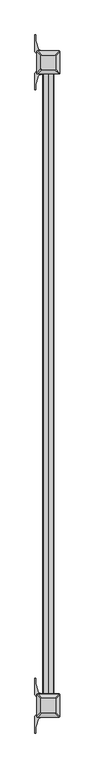
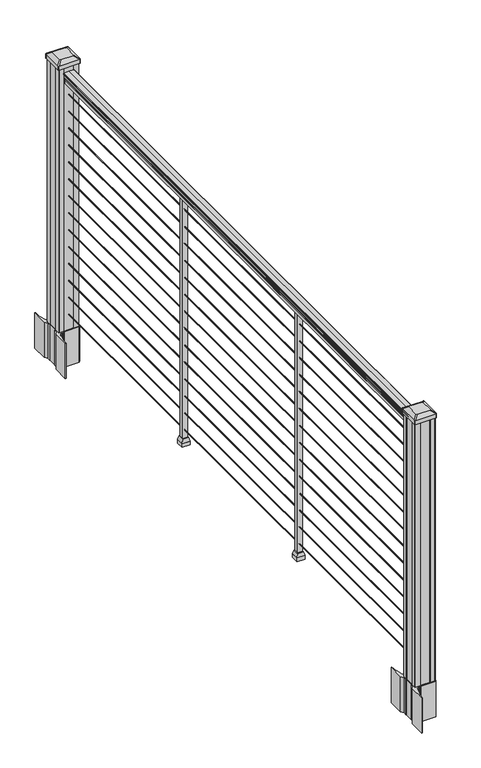
"""IFC4 building model written with IfcOpenShell, lengths in millimetres: railing geometry."""

from ifc_helpers import new_model, si_unit, point, frame, frame_2d, origin, origin_with_axes, place, context, project, spatial, polyline, circle_curve, trimmed, segment, composite_curve, outline, extrude, faceted_brep, source, transform, mapped, element, save
from ifc_brep_helpers import plane_surface, extruded_surface, advanced_brep


def railing_d59ad786(model_context):
    return source(origin(), model_context, "Body", "SolidModel", [
        extrude(outline(composite_curve([segment(trimmed(circle_curve(frame_2d((3402.9211062, 1090.8043297)), 1.2869144), [point((3404.2080205, 1090.8043297))], [point((3401.6341918, 1090.8043297))], False, "CARTESIAN"), True, "CONTINUOUS"), segment(polyline([(3401.6341918, 1090.8043297), (3401.6341918, 1080.147013), (3402.6501918, 1079.131013), (3402.6501918, 1066.8), (3370.9001918, 1066.8), (3370.9001918, 1079.2888283), (3371.9161918, 1080.3048283), (3371.9161918, 1090.8043297)]), True, "CONTINUOUS"), segment(trimmed(circle_curve(frame_2d((3370.6292774, 1090.8043297)), 1.2869144), [point((3371.9161918, 1090.8043297))], [point((3369.3423631, 1090.8043297))], False, "CARTESIAN"), True, "CONTINUOUS"), segment(polyline([(3369.3423631, 1090.8043297), (3369.3423631, 1092.692412)]), True, "CONTINUOUS"), segment(trimmed(circle_curve(frame_2d((3375.6571163, 1098.4506383)), 8.545951), [point((3369.3423631, 1092.692412))], [point((3368.2121768, 1094.2546695))], False, "CARTESIAN"), True, "CONTINUOUS"), segment(trimmed(circle_curve(frame_2d((3375.2200534, 1097.8636577)), 7.882584), [point((3368.2121768, 1094.2546695))], [point((3368.2121768, 1101.4726458))], False, "CARTESIAN"), True, "CONTINUOUS"), segment(trimmed(circle_curve(frame_2d((3364.7067292, 1103.7112527)), 4.1592695), [point((3368.2121768, 1101.4726458))], [point((3368.8614332, 1103.9060812))], True, "CARTESIAN"), True, "CONTINUOUS"), segment(trimmed(circle_curve(frame_2d((3363.4194227, 1103.6508864)), 5.4479907), [point((3368.8614332, 1103.9060812))], [point((3366.3614332, 1108.2362083))], True, "CARTESIAN"), True, "CONTINUOUS"), segment(trimmed(circle_curve(frame_2d((3364.6525811, 1108.233395)), 1.7088543), [point((3366.3614332, 1108.2362083))], [point((3364.9520907, 1109.9157972))], True, "CARTESIAN"), True, "CONTINUOUS"), segment(trimmed(circle_curve(frame_2d((3366.2694812, 1111.0205318)), 1.7192895), [point((3364.9520907, 1109.9157972))], [point((3364.5501917, 1111.0205318))], False, "CARTESIAN"), True, "CONTINUOUS"), segment(polyline([(3364.5501917, 1111.0205318), (3364.5501918, 1112.3608158)]), True, "CONTINUOUS"), segment(trimmed(circle_curve(frame_2d((3366.103639, 1112.3608158)), 1.5534472), [point((3364.5501918, 1112.3608158))], [point((3366.103639, 1113.914263))], False, "CARTESIAN"), True, "CONTINUOUS"), segment(polyline([(3366.103639, 1113.914263), (3386.7751918, 1113.914263), (3407.4467446, 1113.914263)]), True, "CONTINUOUS"), segment(trimmed(circle_curve(frame_2d((3407.4467446, 1112.3608158)), 1.5534472), [point((3407.4467446, 1113.914263))], [point((3409.0001918, 1112.3608158))], False, "CARTESIAN"), True, "CONTINUOUS"), segment(polyline([(3409.0001918, 1112.3608158), (3409.0001918, 1111.0205318)]), True, "CONTINUOUS"), segment(trimmed(circle_curve(frame_2d((3407.2809024, 1111.0205318)), 1.7192895), [point((3409.0001918, 1111.0205318))], [point((3408.5982929, 1109.9157972))], False, "CARTESIAN"), True, "CONTINUOUS"), segment(trimmed(circle_curve(frame_2d((3408.8978025, 1108.233395)), 1.7088543), [point((3408.5982929, 1109.9157972))], [point((3407.1889504, 1108.2362083))], True, "CARTESIAN"), True, "CONTINUOUS"), segment(trimmed(circle_curve(frame_2d((3410.1309609, 1103.6508864)), 5.4479907), [point((3407.1889504, 1108.2362083))], [point((3404.6889504, 1103.9060812))], True, "CARTESIAN"), True, "CONTINUOUS"), segment(trimmed(circle_curve(frame_2d((3408.8436543, 1103.7112527)), 4.1592695), [point((3404.6889504, 1103.9060812))], [point((3405.3382068, 1101.4726458))], True, "CARTESIAN"), True, "CONTINUOUS"), segment(trimmed(circle_curve(frame_2d((3398.3303302, 1097.8636577)), 7.882584), [point((3405.3382068, 1101.4726458))], [point((3405.3382068, 1094.2546695))], False, "CARTESIAN"), True, "CONTINUOUS"), segment(trimmed(circle_curve(frame_2d((3397.8932672, 1098.4506383)), 8.545951), [point((3405.3382068, 1094.2546695))], [point((3404.2080205, 1092.692412))], False, "CARTESIAN"), True, "CONTINUOUS"), segment(polyline([(3404.2080205, 1092.692412), (3404.2080205, 1090.8043297)]), True, "CONTINUOUS")], self_intersect=False)), frame((0.0, -99427.8908968, 0.0), z_axis=(0.0, -1.0, 0.0), x_axis=(1.0, 0.0, 0.0)), (0.0, 0.0, 1.0), 2438.4),
        extrude(outline(composite_curve([segment(trimmed(circle_curve(frame_2d((65.024, 3386.7751918)), 1.5875), [point((65.024, 3385.1876918))], [point((63.4365, 3386.7751918))], False, "CARTESIAN"), True, "CONTINUOUS"), segment(trimmed(circle_curve(frame_2d((65.024, 3386.7751918)), 1.5875), [point((63.4365, 3386.7751918))], [point((65.024, 3388.3626918))], False, "CARTESIAN"), True, "CONTINUOUS"), segment(trimmed(circle_curve(frame_2d((65.024, 3386.7751918)), 1.5875), [point((65.024, 3388.3626918))], [point((66.6115, 3386.7751918))], False, "CARTESIAN"), True, "CONTINUOUS"), segment(trimmed(circle_curve(frame_2d((65.024, 3386.7751918)), 1.5875), [point((66.6115, 3386.7751918))], [point((65.024, 3385.1876918))], False, "CARTESIAN"), True, "CONTINUOUS")], self_intersect=False)), frame((0.0, -101866.2908968, 0.0), z_axis=(0.0, 1.0, 0.0), x_axis=(0.0, 0.0, 1.0)), (0.0, 0.0, 1.0), 2438.4),
        extrude(outline(composite_curve([segment(trimmed(circle_curve(frame_2d((138.176, 3386.7751918)), 1.5875), [point((138.176, 3385.1876918))], [point((136.5885, 3386.7751918))], False, "CARTESIAN"), True, "CONTINUOUS"), segment(trimmed(circle_curve(frame_2d((138.176, 3386.7751918)), 1.5875), [point((136.5885, 3386.7751918))], [point((138.176, 3388.3626918))], False, "CARTESIAN"), True, "CONTINUOUS"), segment(trimmed(circle_curve(frame_2d((138.176, 3386.7751918)), 1.5875), [point((138.176, 3388.3626918))], [point((139.7635, 3386.7751918))], False, "CARTESIAN"), True, "CONTINUOUS"), segment(trimmed(circle_curve(frame_2d((138.176, 3386.7751918)), 1.5875), [point((139.7635, 3386.7751918))], [point((138.176, 3385.1876918))], False, "CARTESIAN"), True, "CONTINUOUS")], self_intersect=False)), frame((0.0, -101866.2908968, 0.0), z_axis=(0.0, 1.0, 0.0), x_axis=(0.0, 0.0, 1.0)), (0.0, 0.0, 1.0), 2438.4),
        extrude(outline(composite_curve([segment(trimmed(circle_curve(frame_2d((211.074, 3386.7751918)), 1.5875), [point((211.074, 3385.1876918))], [point((209.4865, 3386.7751918))], False, "CARTESIAN"), True, "CONTINUOUS"), segment(trimmed(circle_curve(frame_2d((211.074, 3386.7751918)), 1.5875), [point((209.4865, 3386.7751918))], [point((211.074, 3388.3626918))], False, "CARTESIAN"), True, "CONTINUOUS"), segment(trimmed(circle_curve(frame_2d((211.074, 3386.7751918)), 1.5875), [point((211.074, 3388.3626918))], [point((212.6615, 3386.7751918))], False, "CARTESIAN"), True, "CONTINUOUS"), segment(trimmed(circle_curve(frame_2d((211.074, 3386.7751918)), 1.5875), [point((212.6615, 3386.7751918))], [point((211.074, 3385.1876918))], False, "CARTESIAN"), True, "CONTINUOUS")], self_intersect=False)), frame((0.0, -101866.2908968, 0.0), z_axis=(0.0, 1.0, 0.0), x_axis=(0.0, 0.0, 1.0)), (0.0, 0.0, 1.0), 2438.4),
        extrude(outline(composite_curve([segment(trimmed(circle_curve(frame_2d((284.226, 3386.7751918)), 1.5875), [point((284.226, 3385.1876918))], [point((282.6385, 3386.7751918))], False, "CARTESIAN"), True, "CONTINUOUS"), segment(trimmed(circle_curve(frame_2d((284.226, 3386.7751918)), 1.5875), [point((282.6385, 3386.7751918))], [point((284.226, 3388.3626918))], False, "CARTESIAN"), True, "CONTINUOUS"), segment(trimmed(circle_curve(frame_2d((284.226, 3386.7751918)), 1.5875), [point((284.226, 3388.3626918))], [point((285.8135, 3386.7751918))], False, "CARTESIAN"), True, "CONTINUOUS"), segment(trimmed(circle_curve(frame_2d((284.226, 3386.7751918)), 1.5875), [point((285.8135, 3386.7751918))], [point((284.226, 3385.1876918))], False, "CARTESIAN"), True, "CONTINUOUS")], self_intersect=False)), frame((0.0, -101866.2908968, 0.0), z_axis=(0.0, 1.0, 0.0), x_axis=(0.0, 0.0, 1.0)), (0.0, 0.0, 1.0), 2438.4),
        extrude(outline(composite_curve([segment(trimmed(circle_curve(frame_2d((357.124, 3386.7751918)), 1.5875), [point((357.124, 3385.1876918))], [point((355.5365, 3386.7751918))], False, "CARTESIAN"), True, "CONTINUOUS"), segment(trimmed(circle_curve(frame_2d((357.124, 3386.7751918)), 1.5875), [point((355.5365, 3386.7751918))], [point((357.124, 3388.3626918))], False, "CARTESIAN"), True, "CONTINUOUS"), segment(trimmed(circle_curve(frame_2d((357.124, 3386.7751918)), 1.5875), [point((357.124, 3388.3626918))], [point((358.7115, 3386.7751918))], False, "CARTESIAN"), True, "CONTINUOUS"), segment(trimmed(circle_curve(frame_2d((357.124, 3386.7751918)), 1.5875), [point((358.7115, 3386.7751918))], [point((357.124, 3385.1876918))], False, "CARTESIAN"), True, "CONTINUOUS")], self_intersect=False)), frame((0.0, -101866.2908968, 0.0), z_axis=(0.0, 1.0, 0.0), x_axis=(0.0, 0.0, 1.0)), (0.0, 0.0, 1.0), 2438.4),
        extrude(outline(composite_curve([segment(trimmed(circle_curve(frame_2d((430.276, 3386.7751918)), 1.5875), [point((430.276, 3385.1876918))], [point((428.6885, 3386.7751918))], False, "CARTESIAN"), True, "CONTINUOUS"), segment(trimmed(circle_curve(frame_2d((430.276, 3386.7751918)), 1.5875), [point((428.6885, 3386.7751918))], [point((430.276, 3388.3626918))], False, "CARTESIAN"), True, "CONTINUOUS"), segment(trimmed(circle_curve(frame_2d((430.276, 3386.7751918)), 1.5875), [point((430.276, 3388.3626918))], [point((431.8635, 3386.7751918))], False, "CARTESIAN"), True, "CONTINUOUS"), segment(trimmed(circle_curve(frame_2d((430.276, 3386.7751918)), 1.5875), [point((431.8635, 3386.7751918))], [point((430.276, 3385.1876918))], False, "CARTESIAN"), True, "CONTINUOUS")], self_intersect=False)), frame((0.0, -101866.2908968, 0.0), z_axis=(0.0, 1.0, 0.0), x_axis=(0.0, 0.0, 1.0)), (0.0, 0.0, 1.0), 2438.4),
        extrude(outline(composite_curve([segment(trimmed(circle_curve(frame_2d((503.174, 3386.7751918)), 1.5875), [point((503.174, 3385.1876918))], [point((501.5865, 3386.7751918))], False, "CARTESIAN"), True, "CONTINUOUS"), segment(trimmed(circle_curve(frame_2d((503.174, 3386.7751918)), 1.5875), [point((501.5865, 3386.7751918))], [point((503.174, 3388.3626918))], False, "CARTESIAN"), True, "CONTINUOUS"), segment(trimmed(circle_curve(frame_2d((503.174, 3386.7751918)), 1.5875), [point((503.174, 3388.3626918))], [point((504.7615, 3386.7751918))], False, "CARTESIAN"), True, "CONTINUOUS"), segment(trimmed(circle_curve(frame_2d((503.174, 3386.7751918)), 1.5875), [point((504.7615, 3386.7751918))], [point((503.174, 3385.1876918))], False, "CARTESIAN"), True, "CONTINUOUS")], self_intersect=False)), frame((0.0, -101866.2908968, 0.0), z_axis=(0.0, 1.0, 0.0), x_axis=(0.0, 0.0, 1.0)), (0.0, 0.0, 1.0), 2438.4),
        extrude(outline(composite_curve([segment(trimmed(circle_curve(frame_2d((576.326, 3386.7751918)), 1.5875), [point((576.326, 3385.1876918))], [point((574.7385, 3386.7751918))], False, "CARTESIAN"), True, "CONTINUOUS"), segment(trimmed(circle_curve(frame_2d((576.326, 3386.7751918)), 1.5875), [point((574.7385, 3386.7751918))], [point((576.326, 3388.3626918))], False, "CARTESIAN"), True, "CONTINUOUS"), segment(trimmed(circle_curve(frame_2d((576.326, 3386.7751918)), 1.5875), [point((576.326, 3388.3626918))], [point((577.9135, 3386.7751918))], False, "CARTESIAN"), True, "CONTINUOUS"), segment(trimmed(circle_curve(frame_2d((576.326, 3386.7751918)), 1.5875), [point((577.9135, 3386.7751918))], [point((576.326, 3385.1876918))], False, "CARTESIAN"), True, "CONTINUOUS")], self_intersect=False)), frame((0.0, -101866.2908968, 0.0), z_axis=(0.0, 1.0, 0.0), x_axis=(0.0, 0.0, 1.0)), (0.0, 0.0, 1.0), 2438.4),
        extrude(outline(composite_curve([segment(trimmed(circle_curve(frame_2d((649.224, 3386.7751918)), 1.5875), [point((649.224, 3385.1876918))], [point((647.6365, 3386.7751918))], False, "CARTESIAN"), True, "CONTINUOUS"), segment(trimmed(circle_curve(frame_2d((649.224, 3386.7751918)), 1.5875), [point((647.6365, 3386.7751918))], [point((649.224, 3388.3626918))], False, "CARTESIAN"), True, "CONTINUOUS"), segment(trimmed(circle_curve(frame_2d((649.224, 3386.7751918)), 1.5875), [point((649.224, 3388.3626918))], [point((650.8115, 3386.7751918))], False, "CARTESIAN"), True, "CONTINUOUS"), segment(trimmed(circle_curve(frame_2d((649.224, 3386.7751918)), 1.5875), [point((650.8115, 3386.7751918))], [point((649.224, 3385.1876918))], False, "CARTESIAN"), True, "CONTINUOUS")], self_intersect=False)), frame((0.0, -101866.2908968, 0.0), z_axis=(0.0, 1.0, 0.0), x_axis=(0.0, 0.0, 1.0)), (0.0, 0.0, 1.0), 2438.4),
        extrude(outline(composite_curve([segment(trimmed(circle_curve(frame_2d((722.376, 3386.7751918)), 1.5875), [point((722.376, 3385.1876918))], [point((720.7885, 3386.7751918))], False, "CARTESIAN"), True, "CONTINUOUS"), segment(trimmed(circle_curve(frame_2d((722.376, 3386.7751918)), 1.5875), [point((720.7885, 3386.7751918))], [point((722.376, 3388.3626918))], False, "CARTESIAN"), True, "CONTINUOUS"), segment(trimmed(circle_curve(frame_2d((722.376, 3386.7751918)), 1.5875), [point((722.376, 3388.3626918))], [point((723.9635, 3386.7751918))], False, "CARTESIAN"), True, "CONTINUOUS"), segment(trimmed(circle_curve(frame_2d((722.376, 3386.7751918)), 1.5875), [point((723.9635, 3386.7751918))], [point((722.376, 3385.1876918))], False, "CARTESIAN"), True, "CONTINUOUS")], self_intersect=False)), frame((0.0, -101866.2908968, 0.0), z_axis=(0.0, 1.0, 0.0), x_axis=(0.0, 0.0, 1.0)), (0.0, 0.0, 1.0), 2438.4),
        extrude(outline(composite_curve([segment(trimmed(circle_curve(frame_2d((795.274, 3386.7751918)), 1.5875), [point((795.274, 3385.1876918))], [point((793.6865, 3386.7751918))], False, "CARTESIAN"), True, "CONTINUOUS"), segment(trimmed(circle_curve(frame_2d((795.274, 3386.7751918)), 1.5875), [point((793.6865, 3386.7751918))], [point((795.274, 3388.3626918))], False, "CARTESIAN"), True, "CONTINUOUS"), segment(trimmed(circle_curve(frame_2d((795.274, 3386.7751918)), 1.5875), [point((795.274, 3388.3626918))], [point((796.8615, 3386.7751918))], False, "CARTESIAN"), True, "CONTINUOUS"), segment(trimmed(circle_curve(frame_2d((795.274, 3386.7751918)), 1.5875), [point((796.8615, 3386.7751918))], [point((795.274, 3385.1876918))], False, "CARTESIAN"), True, "CONTINUOUS")], self_intersect=False)), frame((0.0, -101866.2908968, 0.0), z_axis=(0.0, 1.0, 0.0), x_axis=(0.0, 0.0, 1.0)), (0.0, 0.0, 1.0), 2438.4),
        extrude(outline(composite_curve([segment(trimmed(circle_curve(frame_2d((868.426, 3386.7751918)), 1.5875), [point((868.426, 3385.1876918))], [point((866.8385, 3386.7751918))], False, "CARTESIAN"), True, "CONTINUOUS"), segment(trimmed(circle_curve(frame_2d((868.426, 3386.7751918)), 1.5875), [point((866.8385, 3386.7751918))], [point((868.426, 3388.3626918))], False, "CARTESIAN"), True, "CONTINUOUS"), segment(trimmed(circle_curve(frame_2d((868.426, 3386.7751918)), 1.5875), [point((868.426, 3388.3626918))], [point((870.0135, 3386.7751918))], False, "CARTESIAN"), True, "CONTINUOUS"), segment(trimmed(circle_curve(frame_2d((868.426, 3386.7751918)), 1.5875), [point((870.0135, 3386.7751918))], [point((868.426, 3385.1876918))], False, "CARTESIAN"), True, "CONTINUOUS")], self_intersect=False)), frame((0.0, -101866.2908968, 0.0), z_axis=(0.0, 1.0, 0.0), x_axis=(0.0, 0.0, 1.0)), (0.0, 0.0, 1.0), 2438.4),
        extrude(outline(composite_curve([segment(trimmed(circle_curve(frame_2d((941.324, 3386.7751918)), 1.5875), [point((941.324, 3385.1876918))], [point((939.7365, 3386.7751918))], False, "CARTESIAN"), True, "CONTINUOUS"), segment(trimmed(circle_curve(frame_2d((941.324, 3386.7751918)), 1.5875), [point((939.7365, 3386.7751918))], [point((941.324, 3388.3626918))], False, "CARTESIAN"), True, "CONTINUOUS"), segment(trimmed(circle_curve(frame_2d((941.324, 3386.7751918)), 1.5875), [point((941.324, 3388.3626918))], [point((942.9115, 3386.7751918))], False, "CARTESIAN"), True, "CONTINUOUS"), segment(trimmed(circle_curve(frame_2d((941.324, 3386.7751918)), 1.5875), [point((942.9115, 3386.7751918))], [point((941.324, 3385.1876918))], False, "CARTESIAN"), True, "CONTINUOUS")], self_intersect=False)), frame((0.0, -101866.2908968, 0.0), z_axis=(0.0, 1.0, 0.0), x_axis=(0.0, 0.0, 1.0)), (0.0, 0.0, 1.0), 2438.4),
        extrude(outline(composite_curve([segment(trimmed(circle_curve(frame_2d((1014.476, 3386.7751918)), 1.5875), [point((1014.476, 3385.1876918))], [point((1012.8885, 3386.7751918))], False, "CARTESIAN"), True, "CONTINUOUS"), segment(trimmed(circle_curve(frame_2d((1014.476, 3386.7751918)), 1.5875), [point((1012.8885, 3386.7751918))], [point((1014.476, 3388.3626918))], False, "CARTESIAN"), True, "CONTINUOUS"), segment(trimmed(circle_curve(frame_2d((1014.476, 3386.7751918)), 1.5875), [point((1014.476, 3388.3626918))], [point((1016.0635, 3386.7751918))], False, "CARTESIAN"), True, "CONTINUOUS"), segment(trimmed(circle_curve(frame_2d((1014.476, 3386.7751918)), 1.5875), [point((1016.0635, 3386.7751918))], [point((1014.476, 3385.1876918))], False, "CARTESIAN"), True, "CONTINUOUS")], self_intersect=False)), frame((0.0, -101866.2908968, 0.0), z_axis=(0.0, 1.0, 0.0), x_axis=(0.0, 0.0, 1.0)), (0.0, 0.0, 1.0), 2438.4),
        faceted_brep([(3399.4751918, -100253.3908968, 32.1497081), (3399.4751918, -100227.9908968, 32.1497081), (3374.0751918, -100227.9908968, 32.1497081), (3374.0751918, -100253.3908968, 32.1497081), (3402.6501918, -100256.5658968, 16.2747081), (3370.9001918, -100256.5658968, 16.2747081), (3370.9001918, -100224.8158968, 16.2747081), (3402.6501918, -100224.8158968, 16.2747081)], [[[0, 1, 2, 3]], [[4, 5, 6, 7]], [[4, 0, 3, 5]], [[5, 3, 2, 6]], [[6, 2, 1, 7]], [[7, 1, 0, 4]]]),
        extrude(outline(polyline([(3402.6501918, -100256.5658968), (3370.9001918, -100256.5658968), (3370.9001918, -100224.8158968), (3402.6501918, -100224.8158968), (3402.6501918, -100256.5658968)])), origin_with_axes(), (0.0, 0.0, 1.0), 16.2747081),
        extrude(outline(polyline([(3396.3001918, -100250.2158968), (3377.2501918, -100250.2158968), (3377.2501918, -100231.1658968), (3396.3001918, -100231.1658968), (3396.3001918, -100250.2158968)])), origin_with_axes(), (0.0, 0.0, 1.0), 1066.8),
        faceted_brep([(3399.4751918, -101066.1908968, 32.1497081), (3399.4751918, -101040.7908968, 32.1497081), (3374.0751918, -101040.7908968, 32.1497081), (3374.0751918, -101066.1908968, 32.1497081), (3402.6501918, -101069.3658968, 16.2747081), (3370.9001918, -101069.3658968, 16.2747081), (3370.9001918, -101037.6158968, 16.2747081), (3402.6501918, -101037.6158968, 16.2747081)], [[[0, 1, 2, 3]], [[4, 5, 6, 7]], [[4, 0, 3, 5]], [[5, 3, 2, 6]], [[6, 2, 1, 7]], [[7, 1, 0, 4]]]),
        extrude(outline(polyline([(3402.6501918, -101069.3658968), (3370.9001918, -101069.3658968), (3370.9001918, -101037.6158968), (3402.6501918, -101037.6158968), (3402.6501918, -101069.3658968)])), origin_with_axes(), (0.0, 0.0, 1.0), 16.2747081),
        extrude(outline(polyline([(3396.3001918, -101063.0158968), (3377.2501918, -101063.0158968), (3377.2501918, -101043.9658968), (3396.3001918, -101043.9658968), (3396.3001918, -101063.0158968)])), origin_with_axes(), (0.0, 0.0, 1.0), 1066.8),
        extrude(outline(composite_curve([segment(polyline([(3429.5106918, -99403.8749917), (3431.0981918, -99404.6369917), (3431.0981918, -99427.4389198), (3427.7252147, -99430.8118968), (3366.2655439, -99430.8118968), (3366.2655439, -99431.7326468), (3360.9480001, -99431.7326468), (3360.9480001, -99433.1869015), (3355.8634704, -99433.1869015), (3355.8634704, -99434.4709253), (3354.1961981, -99434.4709253)]), True, "CONTINUOUS"), segment(trimmed(circle_curve(frame_2d((3354.1961981, -99441.5303852)), 7.0594599), [point((3354.1961981, -99434.4709253))], [point((3347.4289352, -99439.5203785))], True, "CARTESIAN"), True, "CONTINUOUS"), segment(polyline([(3347.4289352, -99439.5203785), (3339.554741, -99466.0311076)]), True, "CONTINUOUS"), segment(trimmed(circle_curve(frame_2d((3394.3392543, -99482.3031573)), 57.15), [point((3339.554741, -99466.0311076))], [point((3337.1892543, -99482.3031573))], True, "CARTESIAN"), True, "CONTINUOUS"), segment(polyline([(3337.1892543, -99482.3031573), (3337.1892543, -99494.3118968), (3334.1892543, -99494.3118968), (3334.1892543, -99429.2243968), (3342.4521918, -99417.8861055), (3342.4521918, -99404.6369917), (3344.0396918, -99403.8749917), (3344.0396918, -99369.102802), (3342.4521918, -99368.340802), (3342.4521918, -99355.0916882), (3334.1892543, -99343.7533968), (3334.1892543, -99278.6658968), (3337.1892543, -99278.6658968), (3337.1892543, -99290.6746364)]), True, "CONTINUOUS"), segment(trimmed(circle_curve(frame_2d((3394.3392543, -99290.6746364)), 57.15), [point((3337.1892543, -99290.6746364))], [point((3339.554741, -99306.946686))], True, "CARTESIAN"), True, "CONTINUOUS"), segment(polyline([(3339.554741, -99306.946686), (3347.4289352, -99333.4574151)]), True, "CONTINUOUS"), segment(trimmed(circle_curve(frame_2d((3354.1961981, -99331.4474085)), 7.0594599), [point((3347.4289352, -99333.4574151))], [point((3354.1961981, -99338.5068683))], True, "CARTESIAN"), True, "CONTINUOUS"), segment(polyline([(3354.1961981, -99338.5068683), (3355.8634704, -99338.5068683), (3355.8634704, -99339.7908921), (3360.9480001, -99339.7908921), (3360.9480001, -99341.2451468), (3366.2655439, -99341.2451468), (3366.2655439, -99342.1658968), (3427.7252147, -99342.1658968), (3431.0981918, -99345.5388739), (3431.0981918, -99368.340802), (3429.5106918, -99369.102802), (3429.5106918, -99403.8749917)]), True, "CONTINUOUS")], self_intersect=False), holes=[polyline([(3345.5001918, -99346.8013968), (3345.5001918, -99426.1763968), (3347.0876918, -99427.7638968), (3384.0119744, -99427.7638968), (3426.4626918, -99427.7638968), (3428.0501918, -99426.1763968), (3428.0501918, -99346.8013968), (3426.4626918, -99345.2138968), (3384.0119744, -99345.2138968), (3347.0876918, -99345.2138968), (3345.5001918, -99346.8013968)])]), frame((0.0, 0.0, -152.4), z_axis=(0.0, 0.0, 1.0), x_axis=(1.0, 0.0, 0.0)), (0.0, 0.0, 1.0), 152.4),
        advanced_brep(
        [(3360.9783168, -99415.4607718, 1165.225), (3412.5720668, -99415.4607718, 1165.225), (3415.7470668, -99412.2857718, 1165.225), (3415.7470668, -99360.6920218, 1165.225), (3412.5720668, -99357.5170218, 1165.225), (3360.9783168, -99357.5170218, 1165.225), (3357.8033168, -99360.6920218, 1165.225), (3357.8033168, -99412.2857718, 1165.225), (3344.7064418, -99431.7326468, 1153.922), (3341.5314418, -99428.5576468, 1153.922), (3341.5314418, -99344.4201468, 1153.922), (3344.7064418, -99341.2451468, 1153.922), (3428.8439418, -99341.2451468, 1153.922), (3432.0189418, -99344.4201468, 1153.922), (3432.0189418, -99428.5576468, 1153.922), (3428.8439418, -99431.7326468, 1153.922)],
        [
            (0, 1),
            (1, 2, circle_curve(frame((3412.5720668, -99412.2857718, 1165.225), z_axis=(0.0, 0.0, 1.0), x_axis=(0.0, 1.0, 0.0)), 3.175)),
            (2, 3),
            (3, 4, circle_curve(frame((3412.5720668, -99360.6920218, 1165.225), z_axis=(0.0, 0.0, 1.0), x_axis=(0.0, 1.0, 0.0)), 3.175)),
            (4, 5),
            (5, 6, circle_curve(frame((3360.9783168, -99360.6920218, 1165.225), z_axis=(0.0, 0.0, 1.0), x_axis=(0.0, 1.0, 0.0)), 3.175)),
            (6, 7),
            (7, 0, circle_curve(frame((3360.9783168, -99412.2857718, 1165.225), z_axis=(0.0, 0.0, 1.0), x_axis=(0.0, 1.0, 0.0)), 3.175)),
            (8, 9, circle_curve(frame((3344.7064418, -99428.5576468, 1153.922), z_axis=(0.0, 0.0, -1.0), x_axis=(0.0, 1.0, 0.0)), 3.175)),
            (9, 10),
            (10, 11, circle_curve(frame((3344.7064418, -99344.4201468, 1153.922), z_axis=(0.0, 0.0, -1.0), x_axis=(0.0, 1.0, 0.0)), 3.175)),
            (11, 12),
            (12, 13, circle_curve(frame((3428.8439418, -99344.4201468, 1153.922), z_axis=(0.0, 0.0, -1.0), x_axis=(0.0, 1.0, 0.0)), 3.175)),
            (13, 14),
            (14, 15, circle_curve(frame((3428.8439418, -99428.5576468, 1153.922), z_axis=(0.0, 0.0, -1.0), x_axis=(0.0, 1.0, 0.0)), 3.175)),
            (15, 8),
            (8, 0),
            (7, 9),
            (6, 10),
            (5, 11),
            (4, 12),
            (3, 13),
            (2, 14),
            (1, 15),
        ],
        [
            plane_surface(frame((3386.7751918, -99386.4888968, 1165.225), z_axis=(0.0, 0.0, 1.0), x_axis=(-1.0, 0.0, 0.0))),
            plane_surface(frame((3386.7751918, -99386.4888968, 1153.922), z_axis=(0.0, 0.0, -1.0), x_axis=(-1.0, 0.0, 0.0))),
            extruded_surface(trimmed(circle_curve(frame((3360.9783168, -99412.2857718, 1165.225), z_axis=(0.0, 0.0, -1.0), x_axis=(0.0, 1.0, 0.0)), 3.175), [point((3360.9783168, -99415.4607718, 1165.225))], [point((3357.8033168, -99412.2857718, 1165.225))], True, "CARTESIAN"), (-16.27187499999991, -16.27187500000582, -11.302999999999884), 25.637972638869748),
            plane_surface(frame((3341.5314418, -99386.4888968, 1153.922), z_axis=(-0.5705009161540777, 0.0, 0.8212969649690409), x_axis=(0.0, 1.0, 0.0))),
            extruded_surface(trimmed(circle_curve(frame((3360.9783168, -99360.6920218, 1165.225), z_axis=(0.0, 0.0, -1.0), x_axis=(0.0, 1.0, 0.0)), 3.175), [point((3357.8033168, -99360.6920218, 1165.225))], [point((3360.9783168, -99357.5170218, 1165.225))], True, "CARTESIAN"), (-16.27187499999991, 16.27187500000582, -11.302999999999884), 25.637972638869748),
            plane_surface(frame((3386.7751918, -99341.2451468, 1153.922), z_axis=(0.0, 0.5705009161540291, 0.8212969649690747), x_axis=(1.0, 0.0, 0.0))),
            extruded_surface(trimmed(circle_curve(frame((3412.5720668, -99360.6920218, 1165.225), z_axis=(0.0, 0.0, -1.0), x_axis=(0.0, 1.0, 0.0)), 3.175), [point((3412.5720668, -99357.5170218, 1165.225))], [point((3415.7470668, -99360.6920218, 1165.225))], True, "CARTESIAN"), (16.27187499999991, 16.27187500000582, -11.302999999999884), 25.637972638869748),
            plane_surface(frame((3432.0189418, -99386.4888968, 1153.922), z_axis=(0.5705009161540143, 0.0, 0.821296964969085), x_axis=(0.0, -1.0, 0.0))),
            extruded_surface(trimmed(circle_curve(frame((3412.5720668, -99412.2857718, 1165.225), z_axis=(0.0, 0.0, -1.0), x_axis=(0.0, 1.0, 0.0)), 3.175), [point((3415.7470668, -99412.2857718, 1165.225))], [point((3412.5720668, -99415.4607718, 1165.225))], True, "CARTESIAN"), (16.27187499999991, -16.27187500000582, -11.302999999999884), 25.637972638869748),
            plane_surface(frame((3386.7751918, -99431.7326468, 1153.922), z_axis=(0.0, -0.570500916154034, 0.8212969649690713), x_axis=(-1.0, 0.0, 0.0))),
        ],
        [
            (0, [[1, 2, 3, 4, 5, 6, 7, 8]]),
            (1, [[9, 10, 11, 12, 13, 14, 15, 16]]),
            (2, [[17, -8, 18, -9]]),
            (3, [[-18, -7, 19, -10]]),
            (4, [[-19, -6, 20, -11]]),
            (5, [[-20, -5, 21, -12]]),
            (6, [[-21, -4, 22, -13]]),
            (7, [[-22, -3, 23, -14]]),
            (8, [[-23, -2, 24, -15]]),
            (9, [[-24, -1, -17, -16]]),
        ],
    ),
        extrude(outline(composite_curve([segment(trimmed(circle_curve(frame_2d((3344.7064418, -99428.5576468)), 3.175), [point((3344.7064418, -99431.7326468))], [point((3341.5314418, -99428.5576468))], False, "CARTESIAN"), True, "CONTINUOUS"), segment(polyline([(3341.5314418, -99428.5576468), (3341.5314418, -99344.4201468)]), True, "CONTINUOUS"), segment(trimmed(circle_curve(frame_2d((3344.7064418, -99344.4201468)), 3.175), [point((3341.5314418, -99344.4201468))], [point((3344.7064418, -99341.2451468))], False, "CARTESIAN"), True, "CONTINUOUS"), segment(polyline([(3344.7064418, -99341.2451468), (3428.8439418, -99341.2451468)]), True, "CONTINUOUS"), segment(trimmed(circle_curve(frame_2d((3428.8439418, -99344.4201468)), 3.175), [point((3428.8439418, -99341.2451468))], [point((3432.0189418, -99344.4201468))], False, "CARTESIAN"), True, "CONTINUOUS"), segment(polyline([(3432.0189418, -99344.4201468), (3432.0189418, -99428.5576468)]), True, "CONTINUOUS"), segment(trimmed(circle_curve(frame_2d((3428.8439418, -99428.5576468)), 3.175), [point((3432.0189418, -99428.5576468))], [point((3428.8439418, -99431.7326468))], False, "CARTESIAN"), True, "CONTINUOUS"), segment(polyline([(3428.8439418, -99431.7326468), (3344.7064418, -99431.7326468)]), True, "CONTINUOUS")], self_intersect=False)), frame((0.0, 0.0, 1136.65), z_axis=(0.0, 0.0, 1.0), x_axis=(1.0, 0.0, 0.0)), (0.0, 0.0, 1.0), 17.272),
        extrude(outline(polyline([(3347.0876918, -99427.7638968), (3345.5001918, -99426.1763968), (3345.5001918, -99406.5548968), (3347.0876918, -99405.7928968), (3347.0876918, -99367.1848968), (3345.5001918, -99366.4228968), (3345.5001918, -99346.8013968), (3347.0876918, -99345.2138968), (3366.7091918, -99345.2138968), (3367.4711918, -99346.8013968), (3406.0791918, -99346.8013968), (3406.8411918, -99345.2138968), (3426.4626918, -99345.2138968), (3428.0501918, -99346.8013968), (3428.0501918, -99366.4228968), (3426.4626918, -99367.1848968), (3426.4626918, -99405.7928968), (3428.0501918, -99406.5548968), (3428.0501918, -99426.1763968), (3426.4626918, -99427.7638968), (3406.8411918, -99427.7638968), (3406.0791918, -99426.1763968), (3367.4711918, -99426.1763968), (3366.7091918, -99427.7638968), (3347.0876918, -99427.7638968)])), origin_with_axes(), (0.0, 0.0, 1.0), 1136.65),
        extrude(outline(composite_curve([segment(polyline([(3429.5106918, -101925.0789917), (3431.0981918, -101925.8409917), (3431.0981918, -101948.6429198), (3427.7252147, -101952.0158968), (3366.2655439, -101952.0158968), (3366.2655439, -101952.9366468), (3360.9480001, -101952.9366468), (3360.9480001, -101954.3909015), (3355.8634704, -101954.3909015), (3355.8634704, -101955.6749253), (3354.1961981, -101955.6749253)]), True, "CONTINUOUS"), segment(trimmed(circle_curve(frame_2d((3354.1961981, -101962.7343852)), 7.0594599), [point((3354.1961981, -101955.6749253))], [point((3347.4289352, -101960.7243785))], True, "CARTESIAN"), True, "CONTINUOUS"), segment(polyline([(3347.4289352, -101960.7243785), (3339.554741, -101987.2351076)]), True, "CONTINUOUS"), segment(trimmed(circle_curve(frame_2d((3394.3392543, -102003.5071573)), 57.15), [point((3339.554741, -101987.2351076))], [point((3337.1892543, -102003.5071573))], True, "CARTESIAN"), True, "CONTINUOUS"), segment(polyline([(3337.1892543, -102003.5071573), (3337.1892543, -102015.5158968), (3334.1892543, -102015.5158968), (3334.1892543, -101950.4283968), (3342.4521918, -101939.0901055), (3342.4521918, -101925.8409917), (3344.0396918, -101925.0789917), (3344.0396918, -101890.306802), (3342.4521918, -101889.544802), (3342.4521918, -101876.2956882), (3334.1892543, -101864.9573968), (3334.1892543, -101799.8698968), (3337.1892543, -101799.8698968), (3337.1892543, -101811.8786364)]), True, "CONTINUOUS"), segment(trimmed(circle_curve(frame_2d((3394.3392543, -101811.8786364)), 57.15), [point((3337.1892543, -101811.8786364))], [point((3339.554741, -101828.150686))], True, "CARTESIAN"), True, "CONTINUOUS"), segment(polyline([(3339.554741, -101828.150686), (3347.4289352, -101854.6614151)]), True, "CONTINUOUS"), segment(trimmed(circle_curve(frame_2d((3354.1961981, -101852.6514085)), 7.0594599), [point((3347.4289352, -101854.6614151))], [point((3354.1961981, -101859.7108683))], True, "CARTESIAN"), True, "CONTINUOUS"), segment(polyline([(3354.1961981, -101859.7108683), (3355.8634704, -101859.7108683), (3355.8634704, -101860.9948921), (3360.9480001, -101860.9948921), (3360.9480001, -101862.4491468), (3366.2655439, -101862.4491468), (3366.2655439, -101863.3698968), (3427.7252147, -101863.3698968), (3431.0981918, -101866.7428739), (3431.0981918, -101889.544802), (3429.5106918, -101890.306802), (3429.5106918, -101925.0789917)]), True, "CONTINUOUS")], self_intersect=False), holes=[polyline([(3345.5001918, -101868.0053968), (3345.5001918, -101947.3803968), (3347.0876918, -101948.9678968), (3384.0119744, -101948.9678968), (3426.4626918, -101948.9678968), (3428.0501918, -101947.3803968), (3428.0501918, -101868.0053968), (3426.4626918, -101866.4178968), (3384.0119744, -101866.4178968), (3347.0876918, -101866.4178968), (3345.5001918, -101868.0053968)])]), frame((0.0, 0.0, -152.4), z_axis=(0.0, 0.0, 1.0), x_axis=(1.0, 0.0, 0.0)), (0.0, 0.0, 1.0), 152.4),
        advanced_brep(
        [(3360.9783168, -101936.6647718, 1165.225), (3412.5720668, -101936.6647718, 1165.225), (3415.7470668, -101933.4897718, 1165.225), (3415.7470668, -101881.8960218, 1165.225), (3412.5720668, -101878.7210218, 1165.225), (3360.9783168, -101878.7210218, 1165.225), (3357.8033168, -101881.8960218, 1165.225), (3357.8033168, -101933.4897718, 1165.225), (3344.7064418, -101952.9366468, 1153.922), (3341.5314418, -101949.7616468, 1153.922), (3341.5314418, -101865.6241468, 1153.922), (3344.7064418, -101862.4491468, 1153.922), (3428.8439418, -101862.4491468, 1153.922), (3432.0189418, -101865.6241468, 1153.922), (3432.0189418, -101949.7616468, 1153.922), (3428.8439418, -101952.9366468, 1153.922)],
        [
            (0, 1),
            (1, 2, circle_curve(frame((3412.5720668, -101933.4897718, 1165.225), z_axis=(0.0, 0.0, 1.0), x_axis=(0.0, 1.0, 0.0)), 3.175)),
            (2, 3),
            (3, 4, circle_curve(frame((3412.5720668, -101881.8960218, 1165.225), z_axis=(0.0, 0.0, 1.0), x_axis=(0.0, 1.0, 0.0)), 3.175)),
            (4, 5),
            (5, 6, circle_curve(frame((3360.9783168, -101881.8960218, 1165.225), z_axis=(0.0, 0.0, 1.0), x_axis=(0.0, 1.0, 0.0)), 3.175)),
            (6, 7),
            (7, 0, circle_curve(frame((3360.9783168, -101933.4897718, 1165.225), z_axis=(0.0, 0.0, 1.0), x_axis=(0.0, 1.0, 0.0)), 3.175)),
            (8, 9, circle_curve(frame((3344.7064418, -101949.7616468, 1153.922), z_axis=(0.0, 0.0, -1.0), x_axis=(0.0, 1.0, 0.0)), 3.175)),
            (9, 10),
            (10, 11, circle_curve(frame((3344.7064418, -101865.6241468, 1153.922), z_axis=(0.0, 0.0, -1.0), x_axis=(0.0, 1.0, 0.0)), 3.175)),
            (11, 12),
            (12, 13, circle_curve(frame((3428.8439418, -101865.6241468, 1153.922), z_axis=(0.0, 0.0, -1.0), x_axis=(0.0, 1.0, 0.0)), 3.175)),
            (13, 14),
            (14, 15, circle_curve(frame((3428.8439418, -101949.7616468, 1153.922), z_axis=(0.0, 0.0, -1.0), x_axis=(0.0, 1.0, 0.0)), 3.175)),
            (15, 8),
            (8, 0),
            (7, 9),
            (6, 10),
            (5, 11),
            (4, 12),
            (3, 13),
            (2, 14),
            (1, 15),
        ],
        [
            plane_surface(frame((3386.7751918, -101907.6928968, 1165.225), z_axis=(0.0, 0.0, 1.0), x_axis=(-1.0, 0.0, 0.0))),
            plane_surface(frame((3386.7751918, -101907.6928968, 1153.922), z_axis=(0.0, 0.0, -1.0), x_axis=(-1.0, 0.0, 0.0))),
            extruded_surface(trimmed(circle_curve(frame((3360.9783168, -101933.4897718, 1165.225), z_axis=(0.0, 0.0, -1.0), x_axis=(0.0, 1.0, 0.0)), 3.175), [point((3360.9783168, -101936.6647718, 1165.225))], [point((3357.8033168, -101933.4897718, 1165.225))], True, "CARTESIAN"), (-16.27187499999991, -16.27187500000582, -11.302999999999884), 25.637972638869748),
            plane_surface(frame((3341.5314418, -101907.6928968, 1153.922), z_axis=(-0.5705009161540777, 0.0, 0.8212969649690409), x_axis=(0.0, 1.0, 0.0))),
            extruded_surface(trimmed(circle_curve(frame((3360.9783168, -101881.8960218, 1165.225), z_axis=(0.0, 0.0, -1.0), x_axis=(0.0, 1.0, 0.0)), 3.175), [point((3357.8033168, -101881.8960218, 1165.225))], [point((3360.9783168, -101878.7210218, 1165.225))], True, "CARTESIAN"), (-16.27187499999991, 16.27187500000582, -11.302999999999884), 25.637972638869748),
            plane_surface(frame((3386.7751918, -101862.4491468, 1153.922), z_axis=(0.0, 0.5705009161540291, 0.8212969649690747), x_axis=(1.0, 0.0, 0.0))),
            extruded_surface(trimmed(circle_curve(frame((3412.5720668, -101881.8960218, 1165.225), z_axis=(0.0, 0.0, -1.0), x_axis=(0.0, 1.0, 0.0)), 3.175), [point((3412.5720668, -101878.7210218, 1165.225))], [point((3415.7470668, -101881.8960218, 1165.225))], True, "CARTESIAN"), (16.27187499999991, 16.27187500000582, -11.302999999999884), 25.637972638869748),
            plane_surface(frame((3432.0189418, -101907.6928968, 1153.922), z_axis=(0.5705009161540143, 0.0, 0.821296964969085), x_axis=(0.0, -1.0, 0.0))),
            extruded_surface(trimmed(circle_curve(frame((3412.5720668, -101933.4897718, 1165.225), z_axis=(0.0, 0.0, -1.0), x_axis=(0.0, 1.0, 0.0)), 3.175), [point((3415.7470668, -101933.4897718, 1165.225))], [point((3412.5720668, -101936.6647718, 1165.225))], True, "CARTESIAN"), (16.27187499999991, -16.27187500000582, -11.302999999999884), 25.637972638869748),
            plane_surface(frame((3386.7751918, -101952.9366468, 1153.922), z_axis=(0.0, -0.570500916154034, 0.8212969649690713), x_axis=(-1.0, 0.0, 0.0))),
        ],
        [
            (0, [[1, 2, 3, 4, 5, 6, 7, 8]]),
            (1, [[9, 10, 11, 12, 13, 14, 15, 16]]),
            (2, [[17, -8, 18, -9]]),
            (3, [[-18, -7, 19, -10]]),
            (4, [[-19, -6, 20, -11]]),
            (5, [[-20, -5, 21, -12]]),
            (6, [[-21, -4, 22, -13]]),
            (7, [[-22, -3, 23, -14]]),
            (8, [[-23, -2, 24, -15]]),
            (9, [[-24, -1, -17, -16]]),
        ],
    ),
        extrude(outline(composite_curve([segment(trimmed(circle_curve(frame_2d((3344.7064418, -101949.7616468)), 3.175), [point((3344.7064418, -101952.9366468))], [point((3341.5314418, -101949.7616468))], False, "CARTESIAN"), True, "CONTINUOUS"), segment(polyline([(3341.5314418, -101949.7616468), (3341.5314418, -101865.6241468)]), True, "CONTINUOUS"), segment(trimmed(circle_curve(frame_2d((3344.7064418, -101865.6241468)), 3.175), [point((3341.5314418, -101865.6241468))], [point((3344.7064418, -101862.4491468))], False, "CARTESIAN"), True, "CONTINUOUS"), segment(polyline([(3344.7064418, -101862.4491468), (3428.8439418, -101862.4491468)]), True, "CONTINUOUS"), segment(trimmed(circle_curve(frame_2d((3428.8439418, -101865.6241468)), 3.175), [point((3428.8439418, -101862.4491468))], [point((3432.0189418, -101865.6241468))], False, "CARTESIAN"), True, "CONTINUOUS"), segment(polyline([(3432.0189418, -101865.6241468), (3432.0189418, -101949.7616468)]), True, "CONTINUOUS"), segment(trimmed(circle_curve(frame_2d((3428.8439418, -101949.7616468)), 3.175), [point((3432.0189418, -101949.7616468))], [point((3428.8439418, -101952.9366468))], False, "CARTESIAN"), True, "CONTINUOUS"), segment(polyline([(3428.8439418, -101952.9366468), (3344.7064418, -101952.9366468)]), True, "CONTINUOUS")], self_intersect=False)), frame((0.0, 0.0, 1136.65), z_axis=(0.0, 0.0, 1.0), x_axis=(1.0, 0.0, 0.0)), (0.0, 0.0, 1.0), 17.272),
        extrude(outline(polyline([(3347.0876918, -101948.9678968), (3345.5001918, -101947.3803968), (3345.5001918, -101927.7588968), (3347.0876918, -101926.9968968), (3347.0876918, -101888.3888968), (3345.5001918, -101887.6268968), (3345.5001918, -101868.0053968), (3347.0876918, -101866.4178968), (3366.7091918, -101866.4178968), (3367.4711918, -101868.0053968), (3406.0791918, -101868.0053968), (3406.8411918, -101866.4178968), (3426.4626918, -101866.4178968), (3428.0501918, -101868.0053968), (3428.0501918, -101887.6268968), (3426.4626918, -101888.3888968), (3426.4626918, -101926.9968968), (3428.0501918, -101927.7588968), (3428.0501918, -101947.3803968), (3426.4626918, -101948.9678968), (3406.8411918, -101948.9678968), (3406.0791918, -101947.3803968), (3367.4711918, -101947.3803968), (3366.7091918, -101948.9678968), (3347.0876918, -101948.9678968)])), origin_with_axes(), (0.0, 0.0, 1.0), 1136.65),
    ])


if __name__ == "__main__":
    model = new_model("IFC4")
    model_context = context("Model", 3, world=origin())
    ifc_project = project(units=[si_unit("LENGTHUNIT", "METRE", prefix="MILLI")], contexts=[model_context])
    site = spatial("IfcSite", under=ifc_project)
    building = spatial("IfcBuilding", under=site)
    placement = place(None, origin())
    railing_shape = railing_d59ad786(model_context)
    element("IfcRailing", 1, at=placement, inside=building, context=model_context, shape_type="MappedRepresentation", body=[
        mapped(railing_shape, transform((0.0, 0.0, 0.0), x_axis=(1.0, 0.0, 0.0), y_axis=(0.0, 1.0, 0.0), z_axis=(0.0, 0.0, 1.0))),
    ])
    save(model, "model.ifc")
